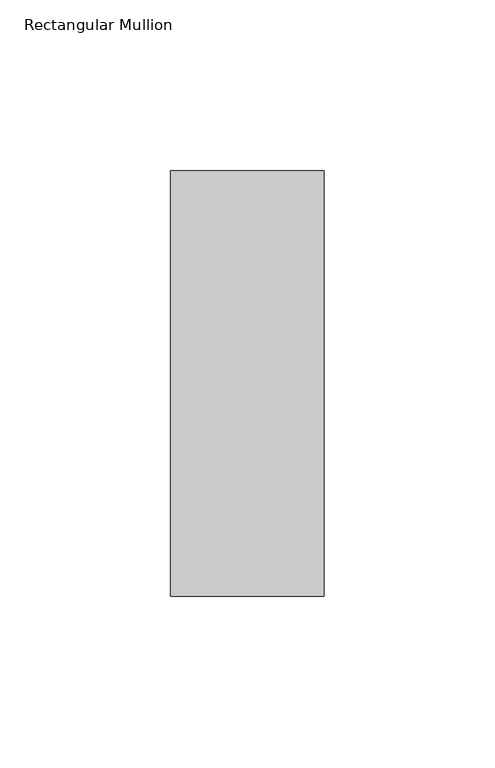
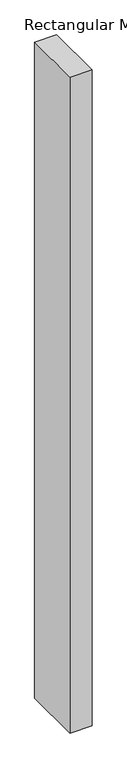
"""IFC4 building model written with IfcOpenShell, lengths in millimetres: member geometry, Rectangular Mullion."""

from ifc_helpers import new_model, si_unit, frame, origin, place, context, project, spatial, polyline, outline, extrude, source, transform, mapped, element, save


def rectangular_mullion_8f0cd9c7(model_context):
    return source(origin(), model_context, "Body", "SweptSolid", [
        extrude(outline(polyline([(-45.0, 77.84375), (0.0, 77.84375), (0.0, -46.84375), (-45.0, -46.84375), (-45.0, 77.84375)])), frame((0.0, 0.0, -1417.8794068), z_axis=(0.0, 0.0, 1.0), x_axis=(1.0, 0.0, 0.0)), (0.0, 0.0, 1.0), 1417.8794068),
    ])


if __name__ == "__main__":
    model = new_model("IFC4")
    model_context = context("Model", 3, world=origin())
    ifc_project = project(units=[si_unit("LENGTHUNIT", "METRE", prefix="MILLI")], contexts=[model_context])
    site = spatial("IfcSite", under=ifc_project)
    building = spatial("IfcBuilding", under=site)
    placement = place(None, origin())
    rectangular_mullion_shape = rectangular_mullion_8f0cd9c7(model_context)
    element("IfcMember", 1, ObjectType="Rectangular Mullion", at=placement, inside=building, context=model_context, shape_type="MappedRepresentation", body=[
        mapped(rectangular_mullion_shape, transform((0.0, 0.0, 0.0), x_axis=(1.0, 0.0, 0.0), y_axis=(0.0, 1.0, 0.0), z_axis=(0.0, 0.0, 1.0))),
    ])
    save(model, "model.ifc")
